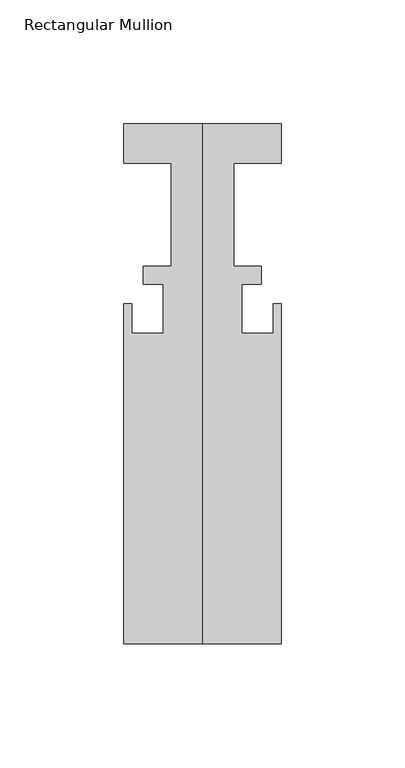
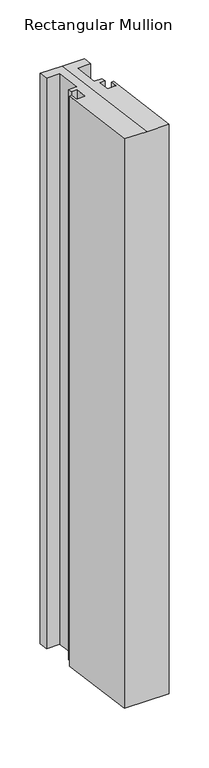
"""IFC4 building model written with IfcOpenShell, lengths in millimetres: member geometry, Rectangular Mullion."""

from ifc_helpers import new_model, si_unit, origin, place, context, project, spatial, faceted_brep, source, transform, mapped, element, save


def rectangular_mullion_4c10184d(model_context):
    return source(origin(), model_context, "Body", "Brep", [
        faceted_brep([(-31.75, 4.8006, -0.6395988), (-31.75, 20.6756, -2.754674), (-31.75, 20.6756, -866.835588), (-31.75, 4.8006, -864.6045023), (-12.7, 4.8006, -0.6395988), (-12.7, 4.8006, -864.6045023), (-12.7, -36.8554, 4.9103588), (-12.7, -36.8554, -858.7501333), (-23.8252, -36.8554, 4.9103588), (-23.8252, -36.8554, -858.7501333), (-23.8252, -44.0182, 5.8646807), (-23.8252, -44.0182, -857.7434674), (-15.875, -44.0182, 5.8646807), (-15.875, -44.0182, -857.7434674), (-15.875, -63.8302, 8.5042947), (-15.875, -63.8302, -854.9590724), (-28.575, -63.8302, 8.5042947), (-28.575, -63.8302, -854.9590724), (-28.575, -51.9176, 6.9171422), (-28.575, -51.9176, -856.6332791), (-31.75, -51.9176, 6.9171422), (-31.75, -51.9176, -856.6332791), (-31.75, -189.2554, 25.2150814), (-31.75, -189.2554, -837.3317101), (31.75, -189.2554, 25.2150814), (0.0, -189.2554, 25.2150814), (31.75, -189.2554, -837.3317101), (31.75, -51.9176, 6.9171422), (31.75, -51.9176, -856.6332791), (28.575, -51.9176, 6.9171422), (28.575, -51.9176, -856.6332791), (28.575, -63.8302, 8.5042947), (28.575, -63.8302, -854.9590724), (15.875, -63.8302, 8.5042947), (15.875, -63.8302, -854.9590724), (15.875, -44.0182, 5.8646807), (15.875, -44.0182, -857.7434674), (23.8252, -44.0182, 5.8646807), (23.8252, -44.0182, -857.7434674), (23.8252, -36.8554, 4.9103588), (23.8252, -36.8554, -858.7501333), (12.7, -36.8554, 4.9103588), (12.7, -36.8554, -858.7501333), (12.7, 4.8006, -0.6395988), (12.7, 4.8006, -864.6045023), (31.75, 4.8006, -0.6395988), (31.75, 4.8006, -864.6045023), (31.75, 20.6756, -2.754674), (31.75, 20.6756, -866.835588), (0.0, 20.6756, -2.754674)], [[[0, 1, 2, 3]], [[4, 0, 3, 5]], [[6, 4, 5, 7]], [[8, 6, 7, 9]], [[10, 8, 9, 11]], [[12, 10, 11, 13]], [[14, 12, 13, 15]], [[16, 14, 15, 17]], [[18, 16, 17, 19]], [[20, 18, 19, 21]], [[22, 20, 21, 23]], [[24, 25, 22, 23, 26]], [[27, 24, 26, 28]], [[29, 27, 28, 30]], [[31, 29, 30, 32]], [[33, 31, 32, 34]], [[35, 33, 34, 36]], [[37, 35, 36, 38]], [[39, 37, 38, 40]], [[41, 39, 40, 42]], [[43, 41, 42, 44]], [[45, 43, 44, 46]], [[47, 45, 46, 48]], [[1, 49, 47, 48, 2]], [[1, 0, 4, 6, 8, 10, 12, 14, 16, 18, 20, 22, 25, 49]], [[25, 24, 27, 29, 31, 33, 35, 37, 39, 41, 43, 45, 47, 49]], [[2, 48, 46, 44, 42, 40, 38, 36, 34, 32, 30, 28, 26, 23, 21, 19, 17, 15, 13, 11, 9, 7, 5, 3]]]),
    ])


if __name__ == "__main__":
    model = new_model("IFC4")
    model_context = context("Model", 3, world=origin())
    ifc_project = project(units=[si_unit("LENGTHUNIT", "METRE", prefix="MILLI")], contexts=[model_context])
    site = spatial("IfcSite", under=ifc_project)
    building = spatial("IfcBuilding", under=site)
    placement = place(None, origin())
    rectangular_mullion_shape = rectangular_mullion_4c10184d(model_context)
    element("IfcMember", 1, ObjectType="Rectangular Mullion", at=placement, inside=building, context=model_context, shape_type="MappedRepresentation", body=[
        mapped(rectangular_mullion_shape, transform((0.0, 0.0, 0.0), x_axis=(1.0, 0.0, 0.0), y_axis=(0.0, 1.0, 0.0), z_axis=(0.0, 0.0, 1.0))),
    ])
    save(model, "model.ifc")
